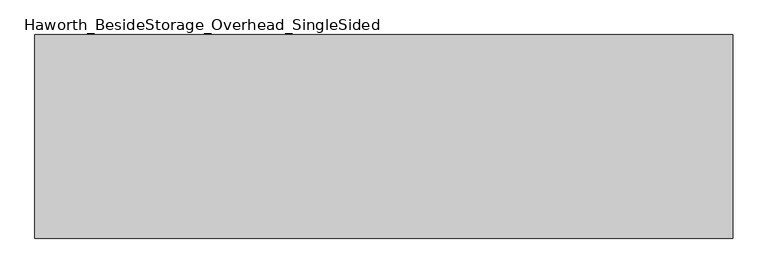
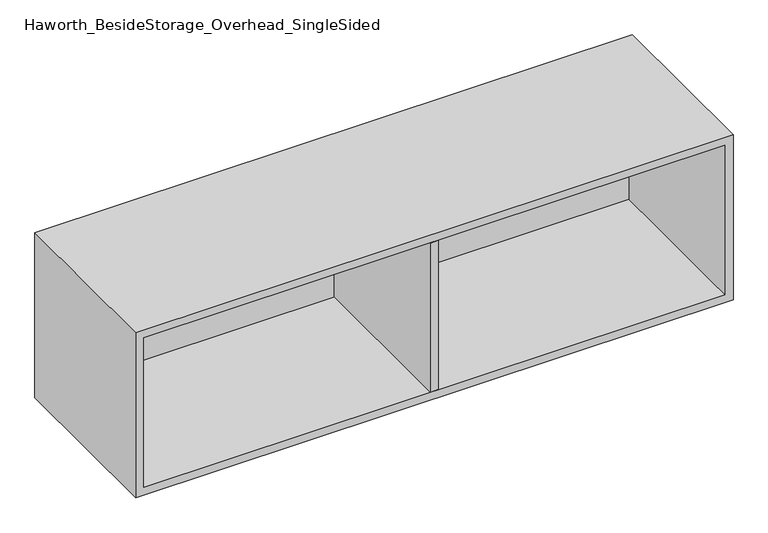
"""IFC4 building model written with IfcOpenShell, lengths in millimetres: furniture geometry, Haworth_BesideStorage_Overhead_SingleSided."""

import ifcopenshell
import ifcopenshell.guid

model = None  # the IFC model being written
_history = None  # IfcOwnerHistory: only IFC2X3 demands one
_inside = {}  # id of a spatial element -> (the spatial element, [elements in it])
_under = {}  # id of a project, library or spatial element -> (it, [spatial elements below it])
_declared = {}  # id of a project -> (the project, [libraries it declares])
_typed = {}  # id of a type object -> (the type object, [elements of that type])
_made_of = {}  # id of a material, layer set ... -> (it, [elements and type objects made of it])


def new_model(schema):
    """Start an empty IFC model of exactly this schema.

    Asked for "IFC4X3", IfcOpenShell would pick the latest addendum, in which some entities
    have other attributes; the version numbers below select the first issue.
    IFC2X3 requires an IfcOwnerHistory on every rooted entity: one is made here for all.
    """
    global model, _history
    if schema == "IFC4X3":
        model = ifcopenshell.file(schema_version=(4, 3, 0, 0))
    else:
        model = ifcopenshell.file(schema=schema)
    _inside.clear()
    _under.clear()
    _declared.clear()
    _typed.clear()
    _made_of.clear()
    _history = None
    if model.schema == "IFC2X3":
        org = make("IfcOrganization", Name="unknown")
        user = make(
            "IfcPersonAndOrganization",
            ThePerson=make("IfcPerson", FamilyName="unknown"),
            TheOrganization=org,
        )
        app = make(
            "IfcApplication",
            ApplicationDeveloper=org,
            Version="unknown",
            ApplicationFullName="unknown",
            ApplicationIdentifier="unknown",
        )
        _history = make(
            "IfcOwnerHistory",
            OwningUser=user,
            OwningApplication=app,
            ChangeAction="ADDED",
            CreationDate=0,
        )
    return model


def make(cls, **values):
    """One entity of the class cls with the attributes given. An attribute that is None is left unset."""
    return model.create_entity(
        cls, **{name: value for name, value in values.items() if value is not None}
    )


def rooted(cls, **values):
    """An entity with a GlobalId (a new one), such as an element, a storey or a relation."""
    return make(cls, GlobalId=ifcopenshell.guid.new(), OwnerHistory=_history, **values)


def si_unit(unit_type, name, prefix=None):
    """IfcSIUnit, for example si_unit("LENGTHUNIT", "METRE", prefix="MILLI")."""
    return make("IfcSIUnit", UnitType=unit_type, Prefix=prefix, Name=name)


def assignment(units):
    """IfcUnitAssignment: the units of a project."""
    return None if units is None else make("IfcUnitAssignment", Units=units)


def point(xyz):
    """IfcCartesianPoint."""
    return None if xyz is None else make("IfcCartesianPoint", Coordinates=xyz)


def direction(xyz):
    """IfcDirection."""
    return None if xyz is None else make("IfcDirection", DirectionRatios=xyz)


def frame(location, z_axis=None, x_axis=None):
    """IfcAxis2Placement3D, a coordinate frame: its origin and axes. An axis left out is left unset."""
    return make(
        "IfcAxis2Placement3D",
        Location=point(location),
        Axis=direction(z_axis),
        RefDirection=direction(x_axis),
    )


def origin():
    """The frame at (0, 0, 0) with its axes left unset."""
    return frame((0.0, 0.0, 0.0))


def place(relative_to, where):
    """IfcLocalPlacement: puts the frame where relative to a parent placement (None: the world)."""
    return make(
        "IfcLocalPlacement", PlacementRelTo=relative_to, RelativePlacement=where
    )


def context(
    kind, dimensions, precision=None, world=None, true_north=None, identifier=None
):
    """IfcGeometricRepresentationContext, for example the 3D "Model" context."""
    return make(
        "IfcGeometricRepresentationContext",
        ContextIdentifier=identifier,
        ContextType=kind,
        CoordinateSpaceDimension=dimensions,
        Precision=precision,
        WorldCoordinateSystem=world,
        TrueNorth=true_north,
    )


def project(units=None, contexts=None):
    """IfcProject with its units and contexts."""
    return rooted(
        "IfcProject",
        Name="project",
        RepresentationContexts=contexts,
        UnitsInContext=assignment(units),
    )


def spatial(cls, under=None, at=None, **own):
    """A site, building, storey or space (cls), placed at a placement, below another one or the project."""
    s = rooted(cls, ObjectPlacement=at, **own)
    if under is not None:
        _under.setdefault(under.id(), (under, []))[1].append(s)
    return s


def polyline(points):
    """IfcPolyline through the points."""
    return make("IfcPolyline", Points=[point(p) for p in points])


def outline(outer, holes=None, kind="AREA"):
    """IfcArbitraryClosedProfileDef: a profile drawn as a closed curve; with holes, ...WithVoids."""
    if holes is None:
        return make("IfcArbitraryClosedProfileDef", ProfileType=kind, OuterCurve=outer)
    return make(
        "IfcArbitraryProfileDefWithVoids",
        ProfileType=kind,
        OuterCurve=outer,
        InnerCurves=holes,
    )


def extrude(swept, where, along, depth):
    """IfcExtrudedAreaSolid: the profile swept, set in the frame where, extruded along a direction by depth."""
    return make(
        "IfcExtrudedAreaSolid",
        SweptArea=swept,
        Position=where,
        ExtrudedDirection=direction(along),
        Depth=depth,
    )


def shape(context_of_items, identifier, shape_type, items):
    """IfcShapeRepresentation: the items that make up one representation, for example the "Body"."""
    return make(
        "IfcShapeRepresentation",
        ContextOfItems=context_of_items,
        RepresentationIdentifier=identifier,
        RepresentationType=shape_type,
        Items=items,
    )


def source(mapping_origin, context_of_items, identifier, shape_type, items):
    """IfcRepresentationMap: a shape defined once, which mapped items show again and again."""
    return make(
        "IfcRepresentationMap",
        MappingOrigin=mapping_origin,
        MappedRepresentation=shape(context_of_items, identifier, shape_type, items),
    )


def transform(
    local_origin,
    x_axis=None,
    y_axis=None,
    z_axis=None,
    scale=None,
    scale2=None,
    scale3=None,
    uniform=True,
):
    """IfcCartesianTransformationOperator3D, or its non-uniform kind. x_axis, y_axis, z_axis: its Axis1, 2, 3."""
    if uniform:
        return make(
            "IfcCartesianTransformationOperator3D",
            Axis1=direction(x_axis),
            Axis2=direction(y_axis),
            LocalOrigin=point(local_origin),
            Scale=scale,
            Axis3=direction(z_axis),
        )
    return make(
        "IfcCartesianTransformationOperator3DnonUniform",
        Axis1=direction(x_axis),
        Axis2=direction(y_axis),
        LocalOrigin=point(local_origin),
        Scale=scale,
        Axis3=direction(z_axis),
        Scale2=scale2,
        Scale3=scale3,
    )


def mapped(mapping_source, mapping_target):
    """IfcMappedItem: shows the shape of a source again, moved by a transform."""
    return make(
        "IfcMappedItem", MappingSource=mapping_source, MappingTarget=mapping_target
    )


def made_of(thing, what):
    """Note that an element or type object is made of a material, layer set ...; save() writes the relation."""
    if what is not None:
        _made_of.setdefault(what.id(), (what, []))[1].append(thing)
    return thing


def element(
    cls,
    number,
    at=None,
    inside=None,
    cuts=None,
    type_object=None,
    material=None,
    context=None,
    identifier="Body",
    shape_type=None,
    held_by="IfcProductDefinitionShape",
    body=None,
    shapes=None,
    **own,
):
    """One element of the class cls, such as IfcWall. Its Tag is "e" and its number.

    at: its placement. inside: the storey or other place that contains it. cuts: it is an
    opening in that element (IfcRelVoidsElement). A single representation is given by context,
    identifier, shape_type and body (its items); several are given by shapes. held_by: the class
    of the entity that holds the representations. save() writes the other relations.
    """
    e = rooted(cls, Tag="e%d" % number, ObjectPlacement=at, **own)
    if body is not None:
        shapes = [shape(context, identifier, shape_type, body)]
    if shapes is not None:
        e.Representation = make(held_by, Representations=shapes)
    if inside is not None:
        _inside.setdefault(inside.id(), (inside, []))[1].append(e)
    if cuts is not None:
        rooted(
            "IfcRelVoidsElement", RelatingBuildingElement=cuts, RelatedOpeningElement=e
        )
    if type_object is not None:
        _typed.setdefault(type_object.id(), (type_object, []))[1].append(e)
    return made_of(e, material)


def aggregate(whole, parts):
    """IfcRelAggregates: a whole, such as a stair, and the parts it consists of."""
    return rooted("IfcRelAggregates", RelatingObject=whole, RelatedObjects=parts)


def save(model, path):
    """Write the relations noted so far, then the file.

    IfcRelAggregates (storeys below a building ...), IfcRelContainedInSpatialStructure (elements
    in a storey), IfcRelDefinesByType, IfcRelAssociatesMaterial and IfcRelDeclares: one each for
    every whole, place, type object, material and project.
    """
    for whole, parts in _under.values():
        aggregate(whole, parts)
    for where, things in _inside.values():
        rooted(
            "IfcRelContainedInSpatialStructure",
            RelatedElements=things,
            RelatingStructure=where,
        )
    for kind, things in _typed.values():
        rooted("IfcRelDefinesByType", RelatedObjects=things, RelatingType=kind)
    for what, things in _made_of.values():
        rooted("IfcRelAssociatesMaterial", RelatedObjects=things, RelatingMaterial=what)
    for by, libraries in _declared.values():
        rooted("IfcRelDeclares", RelatingContext=by, RelatedDefinitions=libraries)
    model.write(path)


def haworth_besidestorage_overhead_singlesided_518d235c(model_context):
    return source(origin(), model_context, "Body", "SweptSolid", [
        extrude(outline(polyline([(174.625, -400.05), (155.575, -400.05), (155.575, -19.05), (174.625, -19.05), (174.625, -400.05)])), frame((0.0, 0.0, 781.05), z_axis=(0.0, 0.0, 1.0), x_axis=(1.0, 0.0, 0.0)), (0.0, 0.0, 1.0), 361.95),
        extrude(outline(polyline([(831.85, -19.05), (-501.65, -19.05), (-501.65, 0.0), (831.85, 0.0), (831.85, -19.05)])), frame((0.0, 0.0, 781.05), z_axis=(0.0, 0.0, 1.0), x_axis=(1.0, 0.0, 0.0)), (0.0, 0.0, 1.0), 361.95),
        extrude(outline(polyline([(762.0, 850.9), (1162.05, 850.9), (1162.05, -520.7), (762.0, -520.7), (762.0, 850.9)]), holes=[polyline([(1143.0, 831.85), (781.05, 831.85), (781.05, -501.65), (1143.0, -501.65), (1143.0, 831.85)])]), frame((0.0, -400.05, 0.0), z_axis=(0.0, 1.0, 0.0), x_axis=(0.0, 0.0, 1.0)), (0.0, 0.0, 1.0), 400.05),
    ])


if __name__ == "__main__":
    model = new_model("IFC4")
    model_context = context("Model", 3, world=origin())
    ifc_project = project(units=[si_unit("LENGTHUNIT", "METRE", prefix="MILLI")], contexts=[model_context])
    site = spatial("IfcSite", under=ifc_project)
    building = spatial("IfcBuilding", under=site)
    placement = place(None, origin())
    haworth_besidestorage_overhead_singlesided_shape = haworth_besidestorage_overhead_singlesided_518d235c(model_context)
    element("IfcFurniture", 1, ObjectType="Haworth_BesideStorage_Overhead_SingleSided", at=placement, inside=building, context=model_context, shape_type="MappedRepresentation", body=[
        mapped(haworth_besidestorage_overhead_singlesided_shape, transform((0.0, 0.0, 0.0), x_axis=(1.0, 0.0, 0.0), y_axis=(0.0, 1.0, 0.0), z_axis=(0.0, 0.0, 1.0))),
    ])
    save(model, "model.ifc")
